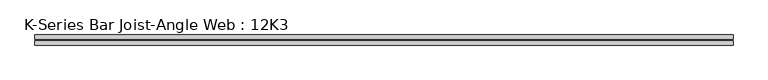
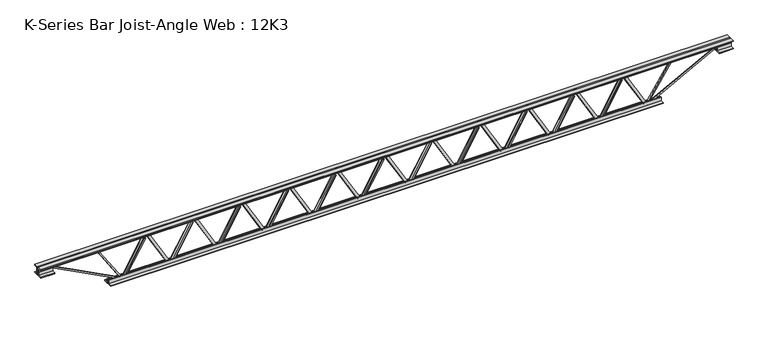
"""IFC4 building model written with IfcOpenShell, lengths in millimetres: beam geometry, K-Series Bar Joist-Angle Web : 12K3."""

from ifc_helpers import new_model, si_unit, frame, origin, place, context, project, spatial, polyline, outline, extrude, faceted_brep, source, transform, mapped, element, save


def k_series_bar_joist_angle_web_12k3_4f3ca79e(model_context):
    return source(origin(), model_context, "Body", "SolidModel", [
        extrude(outline(polyline([(-4.7625, 4.7625), (-4.7625, 0.0), (-17.4625, 0.0), (-17.4625, 4.7625), (-4.7625, 4.7625)])), frame((1527.9959951, 0.0, -114.3), z_axis=(-0.498403815712741, 0.0, 0.866945001994348), x_axis=(0.0, -1.0, 0.0)), (0.0, 0.0, 1.0), 263.6845469),
        extrude(outline(polyline([(-149.225, 1559.9352273), (-130.175, 1559.9352273), (-130.175, 1559.0961924), (149.225, 1398.470056), (149.225, 1380.2590909), (130.175, 1380.2590909), (130.175, 1387.4481258), (-149.225, 1548.0742622), (-149.225, 1559.9352273)])), frame((0.0, 0.0, 0.0), z_axis=(0.0, 1.0, 0.0), x_axis=(0.0, 0.0, 1.0)), (0.0, 0.0, 1.0), 4.7625),
        faceted_brep([(1213.2829545, 0.0, -130.175), (1213.2829545, 0.0, -149.225), (1213.2829545, -4.7625, -149.225), (1213.2829545, -4.7625, -130.175), (1214.1219894, 0.0, -130.175), (1374.7481258, 0.0, 149.225), (1392.9590909, 0.0, 149.225), (1392.9590909, 0.0, 130.175), (1385.770056, 0.0, 130.175), (1225.1439197, 0.0, -149.225), (1225.1439197, -4.7625, -149.225), (1245.2221867, -4.7625, -114.3), (1241.0933611, -4.7625, -111.9263518), (1372.5147454, -4.7625, 116.6736482), (1376.643571, -4.7625, 114.3), (1385.770056, -4.7625, 130.175), (1392.9590909, -4.7625, 130.175), (1392.9590909, -4.7625, 149.225), (1374.7481258, -4.7625, 149.225), (1214.1219894, -4.7625, -130.175), (1376.643571, -17.4625, 114.3), (1245.2221867, -17.4625, -114.3), (1241.0933611, -17.4625, -111.9263518), (1372.5147454, -17.4625, 116.6736482)], [[[0, 1, 2, 3]], [[1, 0, 4, 5, 6, 7, 8, 9]], [[2, 1, 9, 10]], [[3, 2, 10, 11, 12, 13, 14, 15, 16, 17, 18, 19]], [[0, 3, 19, 4]], [[9, 8, 15, 14, 20, 21, 11, 10]], [[5, 4, 19, 18]], [[7, 6, 17, 16]], [[8, 7, 16, 15]], [[6, 5, 18, 17]], [[21, 22, 12, 11]], [[20, 14, 13, 23]], [[22, 21, 20, 23]], [[12, 22, 23, 13]]]),
        extrude(outline(polyline([(-4.7625, 4.7625), (-4.7625, 0.0), (-17.4625, 0.0), (-17.4625, 4.7625), (-4.7625, 4.7625)])), frame((1181.3437224, 0.0, -114.3), z_axis=(-0.498403815712741, 0.0, 0.866945001994348), x_axis=(0.0, -1.0, 0.0)), (0.0, 0.0, 1.0), 263.6845469),
        extrude(outline(polyline([(-149.225, 1213.2829545), (-130.175, 1213.2829545), (-130.175, 1212.4439197), (149.225, 1051.8177833), (149.225, 1033.6068182), (130.175, 1033.6068182), (130.175, 1040.7958531), (-149.225, 1201.4219894), (-149.225, 1213.2829545)])), frame((0.0, 0.0, 0.0), z_axis=(0.0, 1.0, 0.0), x_axis=(0.0, 0.0, 1.0)), (0.0, 0.0, 1.0), 4.7625),
        faceted_brep([(866.6306818, 0.0, -130.175), (866.6306818, 0.0, -149.225), (866.6306818, -4.7625, -149.225), (866.6306818, -4.7625, -130.175), (867.4697167, 0.0, -130.175), (1028.0958531, 0.0, 149.225), (1046.3068182, 0.0, 149.225), (1046.3068182, 0.0, 130.175), (1039.1177833, 0.0, 130.175), (878.4916469, 0.0, -149.225), (878.4916469, -4.7625, -149.225), (898.569914, -4.7625, -114.3), (894.4410884, -4.7625, -111.9263518), (1025.8624727, -4.7625, 116.6736482), (1029.9912983, -4.7625, 114.3), (1039.1177833, -4.7625, 130.175), (1046.3068182, -4.7625, 130.175), (1046.3068182, -4.7625, 149.225), (1028.0958531, -4.7625, 149.225), (867.4697167, -4.7625, -130.175), (1029.9912983, -17.4625, 114.3), (898.569914, -17.4625, -114.3), (894.4410884, -17.4625, -111.9263518), (1025.8624727, -17.4625, 116.6736482)], [[[0, 1, 2, 3]], [[1, 0, 4, 5, 6, 7, 8, 9]], [[2, 1, 9, 10]], [[3, 2, 10, 11, 12, 13, 14, 15, 16, 17, 18, 19]], [[0, 3, 19, 4]], [[9, 8, 15, 14, 20, 21, 11, 10]], [[5, 4, 19, 18]], [[7, 6, 17, 16]], [[8, 7, 16, 15]], [[6, 5, 18, 17]], [[21, 22, 12, 11]], [[20, 14, 13, 23]], [[22, 21, 20, 23]], [[12, 22, 23, 13]]]),
        extrude(outline(polyline([(-4.7625, 4.7625), (-4.7625, 0.0), (-17.4625, 0.0), (-17.4625, 4.7625), (-4.7625, 4.7625)])), frame((834.6914497, 0.0, -114.3), z_axis=(-0.498403815712741, 0.0, 0.866945001994348), x_axis=(0.0, -1.0, 0.0)), (0.0, 0.0, 1.0), 263.6845469),
        extrude(outline(polyline([(-149.225, 866.6306818), (-130.175, 866.6306818), (-130.175, 865.7916469), (149.225, 705.1655106), (149.225, 686.9545455), (130.175, 686.9545455), (130.175, 694.1435803), (-149.225, 854.7697167), (-149.225, 866.6306818)])), frame((0.0, 0.0, 0.0), z_axis=(0.0, 1.0, 0.0), x_axis=(0.0, 0.0, 1.0)), (0.0, 0.0, 1.0), 4.7625),
        faceted_brep([(519.9784091, 0.0, -130.175), (519.9784091, 0.0, -149.225), (519.9784091, -4.7625, -149.225), (519.9784091, -4.7625, -130.175), (520.817444, 0.0, -130.175), (681.4435803, 0.0, 149.225), (699.6545455, 0.0, 149.225), (699.6545455, 0.0, 130.175), (692.4655106, 0.0, 130.175), (531.8393742, 0.0, -149.225), (531.8393742, -4.7625, -149.225), (551.9176412, -4.7625, -114.3), (547.7888157, -4.7625, -111.9263518), (679.2102, -4.7625, 116.6736482), (683.3390255, -4.7625, 114.3), (692.4655106, -4.7625, 130.175), (699.6545455, -4.7625, 130.175), (699.6545455, -4.7625, 149.225), (681.4435803, -4.7625, 149.225), (520.817444, -4.7625, -130.175), (683.3390255, -17.4625, 114.3), (551.9176412, -17.4625, -114.3), (547.7888157, -17.4625, -111.9263518), (679.2102, -17.4625, 116.6736482)], [[[0, 1, 2, 3]], [[1, 0, 4, 5, 6, 7, 8, 9]], [[2, 1, 9, 10]], [[3, 2, 10, 11, 12, 13, 14, 15, 16, 17, 18, 19]], [[0, 3, 19, 4]], [[9, 8, 15, 14, 20, 21, 11, 10]], [[5, 4, 19, 18]], [[7, 6, 17, 16]], [[8, 7, 16, 15]], [[6, 5, 18, 17]], [[21, 22, 12, 11]], [[20, 14, 13, 23]], [[22, 21, 20, 23]], [[12, 22, 23, 13]]]),
        extrude(outline(polyline([(-4.7625, 4.7625), (-4.7625, 0.0), (-17.4625, 0.0), (-17.4625, 4.7625), (-4.7625, 4.7625)])), frame((488.0391769, 0.0, -114.3), z_axis=(-0.498403815712741, 0.0, 0.866945001994348), x_axis=(0.0, -1.0, 0.0)), (0.0, 0.0, 1.0), 263.6845469),
        extrude(outline(polyline([(-149.225, 519.9784091), (-130.175, 519.9784091), (-130.175, 519.1393742), (149.225, 358.5132378), (149.225, 340.3022727), (130.175, 340.3022727), (130.175, 347.4913076), (-149.225, 508.117444), (-149.225, 519.9784091)])), frame((0.0, 0.0, 0.0), z_axis=(0.0, 1.0, 0.0), x_axis=(0.0, 0.0, 1.0)), (0.0, 0.0, 1.0), 4.7625),
        faceted_brep([(173.3261364, 0.0, -130.175), (173.3261364, 0.0, -149.225), (173.3261364, -4.7625, -149.225), (173.3261364, -4.7625, -130.175), (174.1651713, 0.0, -130.175), (334.7913076, 0.0, 149.225), (353.0022727, 0.0, 149.225), (353.0022727, 0.0, 130.175), (345.8132378, 0.0, 130.175), (185.1871015, 0.0, -149.225), (185.1871015, -4.7625, -149.225), (205.2653685, -4.7625, -114.3), (201.1365429, -4.7625, -111.9263518), (332.5579272, -4.7625, 116.6736482), (336.6867528, -4.7625, 114.3), (345.8132378, -4.7625, 130.175), (353.0022727, -4.7625, 130.175), (353.0022727, -4.7625, 149.225), (334.7913076, -4.7625, 149.225), (174.1651713, -4.7625, -130.175), (336.6867528, -17.4625, 114.3), (205.2653685, -17.4625, -114.3), (201.1365429, -17.4625, -111.9263518), (332.5579272, -17.4625, 116.6736482)], [[[0, 1, 2, 3]], [[1, 0, 4, 5, 6, 7, 8, 9]], [[2, 1, 9, 10]], [[3, 2, 10, 11, 12, 13, 14, 15, 16, 17, 18, 19]], [[0, 3, 19, 4]], [[9, 8, 15, 14, 20, 21, 11, 10]], [[5, 4, 19, 18]], [[7, 6, 17, 16]], [[8, 7, 16, 15]], [[6, 5, 18, 17]], [[21, 22, 12, 11]], [[20, 14, 13, 23]], [[22, 21, 20, 23]], [[12, 22, 23, 13]]]),
        extrude(outline(polyline([(-4.7625, 4.7625), (-4.7625, 0.0), (-17.4625, 0.0), (-17.4625, 4.7625), (-4.7625, 4.7625)])), frame((141.3869042, 0.0, -114.3), z_axis=(-0.498403815712741, 0.0, 0.866945001994348), x_axis=(0.0, -1.0, 0.0)), (0.0, 0.0, 1.0), 263.6845469),
        extrude(outline(polyline([(-149.225, 173.3261364), (-130.175, 173.3261364), (-130.175, 172.4871015), (149.225, 11.8609651), (149.225, -6.35), (130.175, -6.35), (130.175, 0.8390349), (-149.225, 161.4651713), (-149.225, 173.3261364)])), frame((0.0, 0.0, 0.0), z_axis=(0.0, 1.0, 0.0), x_axis=(0.0, 0.0, 1.0)), (0.0, 0.0, 1.0), 4.7625),
        faceted_brep([(-173.3261364, 0.0, -130.175), (-173.3261364, 0.0, -149.225), (-173.3261364, -4.7625, -149.225), (-173.3261364, -4.7625, -130.175), (-172.4871015, 0.0, -130.175), (-11.8609651, 0.0, 149.225), (6.35, 0.0, 149.225), (6.35, 0.0, 130.175), (-0.8390349, 0.0, 130.175), (-161.4651713, 0.0, -149.225), (-161.4651713, -4.7625, -149.225), (-141.3869042, -4.7625, -114.3), (-145.5157298, -4.7625, -111.9263518), (-14.0943455, -4.7625, 116.6736482), (-9.9655199, -4.7625, 114.3), (-0.8390349, -4.7625, 130.175), (6.35, -4.7625, 130.175), (6.35, -4.7625, 149.225), (-11.8609651, -4.7625, 149.225), (-172.4871015, -4.7625, -130.175), (-9.9655199, -17.4625, 114.3), (-141.3869042, -17.4625, -114.3), (-145.5157298, -17.4625, -111.9263518), (-14.0943455, -17.4625, 116.6736482)], [[[0, 1, 2, 3]], [[1, 0, 4, 5, 6, 7, 8, 9]], [[2, 1, 9, 10]], [[3, 2, 10, 11, 12, 13, 14, 15, 16, 17, 18, 19]], [[0, 3, 19, 4]], [[9, 8, 15, 14, 20, 21, 11, 10]], [[5, 4, 19, 18]], [[7, 6, 17, 16]], [[8, 7, 16, 15]], [[6, 5, 18, 17]], [[21, 22, 12, 11]], [[20, 14, 13, 23]], [[22, 21, 20, 23]], [[12, 22, 23, 13]]]),
        extrude(outline(polyline([(-4.7625, 4.7625), (-4.7625, 0.0), (-17.4625, 0.0), (-17.4625, 4.7625), (-4.7625, 4.7625)])), frame((-205.2653685, 0.0, -114.3), z_axis=(-0.498403815712741, 0.0, 0.866945001994348), x_axis=(0.0, -1.0, 0.0)), (0.0, 0.0, 1.0), 263.6845469),
        extrude(outline(polyline([(-149.225, -173.3261364), (-130.175, -173.3261364), (-130.175, -174.1651713), (149.225, -334.7913076), (149.225, -353.0022727), (130.175, -353.0022727), (130.175, -345.8132378), (-149.225, -185.1871015), (-149.225, -173.3261364)])), frame((0.0, 0.0, 0.0), z_axis=(0.0, 1.0, 0.0), x_axis=(0.0, 0.0, 1.0)), (0.0, 0.0, 1.0), 4.7625),
        faceted_brep([(-519.9784091, 0.0, -130.175), (-519.9784091, 0.0, -149.225), (-519.9784091, -4.7625, -149.225), (-519.9784091, -4.7625, -130.175), (-519.1393742, 0.0, -130.175), (-358.5132378, 0.0, 149.225), (-340.3022727, 0.0, 149.225), (-340.3022727, 0.0, 130.175), (-347.4913076, 0.0, 130.175), (-508.117444, 0.0, -149.225), (-508.117444, -4.7625, -149.225), (-488.0391769, -4.7625, -114.3), (-492.1680025, -4.7625, -111.9263518), (-360.7466182, -4.7625, 116.6736482), (-356.6177926, -4.7625, 114.3), (-347.4913076, -4.7625, 130.175), (-340.3022727, -4.7625, 130.175), (-340.3022727, -4.7625, 149.225), (-358.5132378, -4.7625, 149.225), (-519.1393742, -4.7625, -130.175), (-356.6177926, -17.4625, 114.3), (-488.0391769, -17.4625, -114.3), (-492.1680025, -17.4625, -111.9263518), (-360.7466182, -17.4625, 116.6736482)], [[[0, 1, 2, 3]], [[1, 0, 4, 5, 6, 7, 8, 9]], [[2, 1, 9, 10]], [[3, 2, 10, 11, 12, 13, 14, 15, 16, 17, 18, 19]], [[0, 3, 19, 4]], [[9, 8, 15, 14, 20, 21, 11, 10]], [[5, 4, 19, 18]], [[7, 6, 17, 16]], [[8, 7, 16, 15]], [[6, 5, 18, 17]], [[21, 22, 12, 11]], [[20, 14, 13, 23]], [[22, 21, 20, 23]], [[12, 22, 23, 13]]]),
        extrude(outline(polyline([(-4.7625, 4.7625), (-4.7625, 0.0), (-17.4625, 0.0), (-17.4625, 4.7625), (-4.7625, 4.7625)])), frame((-551.9176412, 0.0, -114.3), z_axis=(-0.498403815712741, 0.0, 0.866945001994348), x_axis=(0.0, -1.0, 0.0)), (0.0, 0.0, 1.0), 263.6845469),
        extrude(outline(polyline([(-149.225, -519.9784091), (-130.175, -519.9784091), (-130.175, -520.817444), (149.225, -681.4435803), (149.225, -699.6545455), (130.175, -699.6545455), (130.175, -692.4655106), (-149.225, -531.8393742), (-149.225, -519.9784091)])), frame((0.0, 0.0, 0.0), z_axis=(0.0, 1.0, 0.0), x_axis=(0.0, 0.0, 1.0)), (0.0, 0.0, 1.0), 4.7625),
        faceted_brep([(-866.6306818, 0.0, -130.175), (-866.6306818, 0.0, -149.225), (-866.6306818, -4.7625, -149.225), (-866.6306818, -4.7625, -130.175), (-865.7916469, 0.0, -130.175), (-705.1655106, 0.0, 149.225), (-686.9545455, 0.0, 149.225), (-686.9545455, 0.0, 130.175), (-694.1435803, 0.0, 130.175), (-854.7697167, 0.0, -149.225), (-854.7697167, -4.7625, -149.225), (-834.6914497, -4.7625, -114.3), (-838.8202752, -4.7625, -111.9263518), (-707.3988909, -4.7625, 116.6736482), (-703.2700654, -4.7625, 114.3), (-694.1435803, -4.7625, 130.175), (-686.9545455, -4.7625, 130.175), (-686.9545455, -4.7625, 149.225), (-705.1655106, -4.7625, 149.225), (-865.7916469, -4.7625, -130.175), (-703.2700654, -17.4625, 114.3), (-834.6914497, -17.4625, -114.3), (-838.8202752, -17.4625, -111.9263518), (-707.3988909, -17.4625, 116.6736482)], [[[0, 1, 2, 3]], [[1, 0, 4, 5, 6, 7, 8, 9]], [[2, 1, 9, 10]], [[3, 2, 10, 11, 12, 13, 14, 15, 16, 17, 18, 19]], [[0, 3, 19, 4]], [[9, 8, 15, 14, 20, 21, 11, 10]], [[5, 4, 19, 18]], [[7, 6, 17, 16]], [[8, 7, 16, 15]], [[6, 5, 18, 17]], [[21, 22, 12, 11]], [[20, 14, 13, 23]], [[22, 21, 20, 23]], [[12, 22, 23, 13]]]),
        extrude(outline(polyline([(-4.7625, 4.7625), (-4.7625, 0.0), (-17.4625, 0.0), (-17.4625, 4.7625), (-4.7625, 4.7625)])), frame((-898.569914, 0.0, -114.3), z_axis=(-0.498403815712741, 0.0, 0.866945001994348), x_axis=(0.0, -1.0, 0.0)), (0.0, 0.0, 1.0), 263.6845469),
        extrude(outline(polyline([(-149.225, -866.6306818), (-130.175, -866.6306818), (-130.175, -867.4697167), (149.225, -1028.0958531), (149.225, -1046.3068182), (130.175, -1046.3068182), (130.175, -1039.1177833), (-149.225, -878.4916469), (-149.225, -866.6306818)])), frame((0.0, 0.0, 0.0), z_axis=(0.0, 1.0, 0.0), x_axis=(0.0, 0.0, 1.0)), (0.0, 0.0, 1.0), 4.7625),
        faceted_brep([(-1213.2829545, 0.0, -130.175), (-1213.2829545, 0.0, -149.225), (-1213.2829545, -4.7625, -149.225), (-1213.2829545, -4.7625, -130.175), (-1212.4439197, 0.0, -130.175), (-1051.8177833, 0.0, 149.225), (-1033.6068182, 0.0, 149.225), (-1033.6068182, 0.0, 130.175), (-1040.7958531, 0.0, 130.175), (-1201.4219894, 0.0, -149.225), (-1201.4219894, -4.7625, -149.225), (-1181.3437224, -4.7625, -114.3), (-1185.472548, -4.7625, -111.9263518), (-1054.0511637, -4.7625, 116.6736482), (-1049.9223381, -4.7625, 114.3), (-1040.7958531, -4.7625, 130.175), (-1033.6068182, -4.7625, 130.175), (-1033.6068182, -4.7625, 149.225), (-1051.8177833, -4.7625, 149.225), (-1212.4439197, -4.7625, -130.175), (-1049.9223381, -17.4625, 114.3), (-1181.3437224, -17.4625, -114.3), (-1185.472548, -17.4625, -111.9263518), (-1054.0511637, -17.4625, 116.6736482)], [[[0, 1, 2, 3]], [[1, 0, 4, 5, 6, 7, 8, 9]], [[2, 1, 9, 10]], [[3, 2, 10, 11, 12, 13, 14, 15, 16, 17, 18, 19]], [[0, 3, 19, 4]], [[9, 8, 15, 14, 20, 21, 11, 10]], [[5, 4, 19, 18]], [[7, 6, 17, 16]], [[8, 7, 16, 15]], [[6, 5, 18, 17]], [[21, 22, 12, 11]], [[20, 14, 13, 23]], [[22, 21, 20, 23]], [[12, 22, 23, 13]]]),
        extrude(outline(polyline([(-4.7625, 4.7625), (-4.7625, 0.0), (-17.4625, 0.0), (-17.4625, 4.7625), (-4.7625, 4.7625)])), frame((-1245.2221867, 0.0, -114.3), z_axis=(-0.498403815712741, 0.0, 0.866945001994348), x_axis=(0.0, -1.0, 0.0)), (0.0, 0.0, 1.0), 263.6845469),
        extrude(outline(polyline([(-149.225, -1213.2829545), (-130.175, -1213.2829545), (-130.175, -1214.1219894), (149.225, -1374.7481258), (149.225, -1392.9590909), (130.175, -1392.9590909), (130.175, -1385.770056), (-149.225, -1225.1439197), (-149.225, -1213.2829545)])), frame((0.0, 0.0, 0.0), z_axis=(0.0, 1.0, 0.0), x_axis=(0.0, 0.0, 1.0)), (0.0, 0.0, 1.0), 4.7625),
        faceted_brep([(-1559.9352273, 0.0, -130.175), (-1559.9352273, 0.0, -149.225), (-1559.9352273, -4.7625, -149.225), (-1559.9352273, -4.7625, -130.175), (-1559.0961924, 0.0, -130.175), (-1398.470056, 0.0, 149.225), (-1380.2590909, 0.0, 149.225), (-1380.2590909, 0.0, 130.175), (-1387.4481258, 0.0, 130.175), (-1548.0742622, 0.0, -149.225), (-1548.0742622, -4.7625, -149.225), (-1527.9959951, -4.7625, -114.3), (-1532.1248207, -4.7625, -111.9263518), (-1400.7034364, -4.7625, 116.6736482), (-1396.5746108, -4.7625, 114.3), (-1387.4481258, -4.7625, 130.175), (-1380.2590909, -4.7625, 130.175), (-1380.2590909, -4.7625, 149.225), (-1398.470056, -4.7625, 149.225), (-1559.0961924, -4.7625, -130.175), (-1396.5746108, -17.4625, 114.3), (-1527.9959951, -17.4625, -114.3), (-1532.1248207, -17.4625, -111.9263518), (-1400.7034364, -17.4625, 116.6736482)], [[[0, 1, 2, 3]], [[1, 0, 4, 5, 6, 7, 8, 9]], [[2, 1, 9, 10]], [[3, 2, 10, 11, 12, 13, 14, 15, 16, 17, 18, 19]], [[0, 3, 19, 4]], [[9, 8, 15, 14, 20, 21, 11, 10]], [[5, 4, 19, 18]], [[7, 6, 17, 16]], [[8, 7, 16, 15]], [[6, 5, 18, 17]], [[21, 22, 12, 11]], [[20, 14, 13, 23]], [[22, 21, 20, 23]], [[12, 22, 23, 13]]]),
        extrude(outline(polyline([(-4.7625, 4.7625), (-4.7625, 0.0), (-17.4625, 0.0), (-17.4625, 4.7625), (-4.7625, 4.7625)])), frame((1874.6482678, 0.0, -114.3), z_axis=(-0.498403815712741, 0.0, 0.866945001994348), x_axis=(0.0, -1.0, 0.0)), (0.0, 0.0, 1.0), 263.6845469),
        extrude(outline(polyline([(-149.225, 1906.5875), (-130.175, 1906.5875), (-130.175, 1905.7484651), (149.225, 1745.1223287), (149.225, 1726.9113636), (130.175, 1726.9113636), (130.175, 1734.1003985), (-149.225, 1894.7265349), (-149.225, 1906.5875)])), frame((0.0, 0.0, 0.0), z_axis=(0.0, 1.0, 0.0), x_axis=(0.0, 0.0, 1.0)), (0.0, 0.0, 1.0), 4.7625),
        faceted_brep([(1559.9352273, 0.0, -130.175), (1559.9352273, 0.0, -149.225), (1559.9352273, -4.7625, -149.225), (1559.9352273, -4.7625, -130.175), (1560.7742622, 0.0, -130.175), (1721.4003985, 0.0, 149.225), (1739.6113636, 0.0, 149.225), (1739.6113636, 0.0, 130.175), (1732.4223287, 0.0, 130.175), (1571.7961924, 0.0, -149.225), (1571.7961924, -4.7625, -149.225), (1591.8744594, -4.7625, -114.3), (1587.7456339, -4.7625, -111.9263518), (1719.1670182, -4.7625, 116.6736482), (1723.2958437, -4.7625, 114.3), (1732.4223287, -4.7625, 130.175), (1739.6113636, -4.7625, 130.175), (1739.6113636, -4.7625, 149.225), (1721.4003985, -4.7625, 149.225), (1560.7742622, -4.7625, -130.175), (1723.2958437, -17.4625, 114.3), (1591.8744594, -17.4625, -114.3), (1587.7456339, -17.4625, -111.9263518), (1719.1670182, -17.4625, 116.6736482)], [[[0, 1, 2, 3]], [[1, 0, 4, 5, 6, 7, 8, 9]], [[2, 1, 9, 10]], [[3, 2, 10, 11, 12, 13, 14, 15, 16, 17, 18, 19]], [[0, 3, 19, 4]], [[9, 8, 15, 14, 20, 21, 11, 10]], [[5, 4, 19, 18]], [[7, 6, 17, 16]], [[8, 7, 16, 15]], [[6, 5, 18, 17]], [[21, 22, 12, 11]], [[20, 14, 13, 23]], [[22, 21, 20, 23]], [[12, 22, 23, 13]]]),
        extrude(outline(polyline([(-4.7625, 4.7625), (-4.7625, 0.0), (-17.4625, 0.0), (-17.4625, 4.7625), (-4.7625, 4.7625)])), frame((-1591.8744594, 0.0, -114.3), z_axis=(-0.498403815712741, 0.0, 0.866945001994348), x_axis=(0.0, -1.0, 0.0)), (0.0, 0.0, 1.0), 263.6845469),
        extrude(outline(polyline([(-149.225, -1559.9352273), (-130.175, -1559.9352273), (-130.175, -1560.7742622), (149.225, -1721.4003985), (149.225, -1739.6113636), (130.175, -1739.6113636), (130.175, -1732.4223287), (-149.225, -1571.7961924), (-149.225, -1559.9352273)])), frame((0.0, 0.0, 0.0), z_axis=(0.0, 1.0, 0.0), x_axis=(0.0, 0.0, 1.0)), (0.0, 0.0, 1.0), 4.7625),
        faceted_brep([(-1906.5875, 0.0, -130.175), (-1906.5875, 0.0, -149.225), (-1906.5875, -4.7625, -149.225), (-1906.5875, -4.7625, -130.175), (-1905.7484651, 0.0, -130.175), (-1745.1223287, 0.0, 149.225), (-1726.9113636, 0.0, 149.225), (-1726.9113636, 0.0, 130.175), (-1734.1003985, 0.0, 130.175), (-1894.7265349, 0.0, -149.225), (-1894.7265349, -4.7625, -149.225), (-1874.6482678, -4.7625, -114.3), (-1878.7770934, -4.7625, -111.9263518), (-1747.3557091, -4.7625, 116.6736482), (-1743.2268836, -4.7625, 114.3), (-1734.1003985, -4.7625, 130.175), (-1726.9113636, -4.7625, 130.175), (-1726.9113636, -4.7625, 149.225), (-1745.1223287, -4.7625, 149.225), (-1905.7484651, -4.7625, -130.175), (-1743.2268836, -17.4625, 114.3), (-1874.6482678, -17.4625, -114.3), (-1878.7770934, -17.4625, -111.9263518), (-1747.3557091, -17.4625, 116.6736482)], [[[0, 1, 2, 3]], [[1, 0, 4, 5, 6, 7, 8, 9]], [[2, 1, 9, 10]], [[3, 2, 10, 11, 12, 13, 14, 15, 16, 17, 18, 19]], [[0, 3, 19, 4]], [[9, 8, 15, 14, 20, 21, 11, 10]], [[5, 4, 19, 18]], [[7, 6, 17, 16]], [[8, 7, 16, 15]], [[6, 5, 18, 17]], [[21, 22, 12, 11]], [[20, 14, 13, 23]], [[22, 21, 20, 23]], [[12, 22, 23, 13]]]),
        extrude(outline(polyline([(4.7625, 152.4), (36.5125, 152.4), (36.5125, 146.05), (11.1125, 146.05), (11.1125, 120.65), (4.7625, 120.65), (4.7625, 152.4)])), frame((-2516.1875, 0.0, 0.0), z_axis=(1.0, 0.0, 0.0), x_axis=(0.0, 1.0, 0.0)), (0.0, 0.0, 1.0), 5032.375),
        extrude(outline(polyline([(-4.7625, 152.4), (-4.7625, 120.65), (-11.1125, 120.65), (-11.1125, 146.05), (-36.5125, 146.05), (-36.5125, 152.4), (-4.7625, 152.4)])), frame((-2516.1875, 0.0, 0.0), z_axis=(1.0, 0.0, 0.0), x_axis=(0.0, 1.0, 0.0)), (0.0, 0.0, 1.0), 5032.375),
        extrude(outline(polyline([(-4.7625, 88.9), (-36.5125, 88.9), (-36.5125, 95.25), (-11.1125, 95.25), (-11.1125, 120.65), (-4.7625, 120.65), (-4.7625, 88.9)])), frame((-2516.1875, 0.0, 0.0), z_axis=(1.0, 0.0, 0.0), x_axis=(0.0, 1.0, 0.0)), (0.0, 0.0, 1.0), 101.6),
        extrude(outline(polyline([(36.5125, 88.9), (4.7625, 88.9), (4.7625, 120.65), (11.1125, 120.65), (11.1125, 95.25), (36.5125, 95.25), (36.5125, 88.9)])), frame((-2516.1875, 0.0, 0.0), z_axis=(1.0, 0.0, 0.0), x_axis=(0.0, 1.0, 0.0)), (0.0, 0.0, 1.0), 101.6),
        extrude(outline(polyline([(4.7625, 88.9), (4.7625, 120.65), (11.1125, 120.65), (11.1125, 95.25), (36.5125, 95.25), (36.5125, 88.9), (4.7625, 88.9)])), frame((2414.5875, 0.0, 0.0), z_axis=(1.0, 0.0, 0.0), x_axis=(0.0, 1.0, 0.0)), (0.0, 0.0, 1.0), 101.6),
        extrude(outline(polyline([(-4.7625, 88.9), (-36.5125, 88.9), (-36.5125, 95.25), (-11.1125, 95.25), (-11.1125, 120.65), (-4.7625, 120.65), (-4.7625, 88.9)])), frame((2414.5875, 0.0, 0.0), z_axis=(1.0, 0.0, 0.0), x_axis=(0.0, 1.0, 0.0)), (0.0, 0.0, 1.0), 101.6),
        extrude(outline(polyline([(4.7625, -152.4), (4.7625, -120.65), (11.1125, -120.65), (11.1125, -146.05), (36.5125, -146.05), (36.5125, -152.4), (4.7625, -152.4)])), frame((-2008.1875, 0.0, 0.0), z_axis=(1.0, 0.0, 0.0), x_axis=(0.0, 1.0, 0.0)), (0.0, 0.0, 1.0), 4016.375),
        extrude(outline(polyline([(-4.7625, -152.4), (-36.5125, -152.4), (-36.5125, -146.05), (-11.1125, -146.05), (-11.1125, -120.65), (-4.7625, -120.65), (-4.7625, -152.4)])), frame((-2008.1875, 0.0, 0.0), z_axis=(1.0, 0.0, 0.0), x_axis=(0.0, 1.0, 0.0)), (0.0, 0.0, 1.0), 4016.375),
        extrude(outline(polyline([(4.7625, 4.7625), (4.7625, -4.7625), (-4.7625, -4.7625), (-4.7625, 4.7625), (4.7625, 4.7625)])), frame((1906.5875, 0.0, -146.05), z_axis=(0.5449245563026816, 0.0, 0.8384850791387558), x_axis=(0.0, -1.0, 0.0)), (0.0, 0.0, 1.0), 318.0736386),
        extrude(outline(polyline([(4.7625, 4.7625), (4.7625, -4.7625), (-4.7625, -4.7625), (-4.7625, 4.7625), (4.7625, 4.7625)])), frame((-1906.5875, 0.0, -146.05), z_axis=(-0.5449245563026415, 0.0, 0.838485079138782), x_axis=(0.0, -1.0, 0.0)), (0.0, 0.0, 1.0), 318.0736386),
        extrude(outline(polyline([(0.0, -9.525), (0.0, 0.0), (573.7533355, 0.0), (573.7533355, -9.525), (0.0, -9.525)])), frame((2416.8012714, -4.7625, 116.4332925), z_axis=(-0.4648338989893245, 0.0, 0.8853979028382565), x_axis=(-0.8853979028382565, 0.0, -0.4648338989893245)), (0.0, 0.0, 1.0), 9.525),
        extrude(outline(polyline([(0.0, -9.525), (0.0, 0.0), (573.7533355, 0.0), (573.7533355, -9.525), (0.0, -9.525)])), frame((-2416.8012714, 4.7625, 116.4332925), z_axis=(0.46483389898932054, 0.0, 0.8853979028382585), x_axis=(0.8853979028382585, 0.0, -0.46483389898932054)), (0.0, 0.0, 1.0), 9.525),
    ])


if __name__ == "__main__":
    model = new_model("IFC4")
    model_context = context("Model", 3, world=origin())
    ifc_project = project(units=[si_unit("LENGTHUNIT", "METRE", prefix="MILLI")], contexts=[model_context])
    site = spatial("IfcSite", under=ifc_project)
    building = spatial("IfcBuilding", under=site)
    placement = place(None, origin())
    k_series_bar_joist_angle_web_12k3_shape = k_series_bar_joist_angle_web_12k3_4f3ca79e(model_context)
    element("IfcBeam", 1, ObjectType="K-Series Bar Joist-Angle Web : 12K3", at=placement, inside=building, context=model_context, shape_type="MappedRepresentation", body=[
        mapped(k_series_bar_joist_angle_web_12k3_shape, transform((0.0, 0.0, 0.0), x_axis=(1.0, 0.0, 0.0), y_axis=(0.0, 1.0, 0.0), z_axis=(0.0, 0.0, 1.0))),
    ])
    save(model, "model.ifc")
